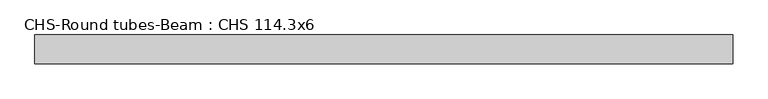
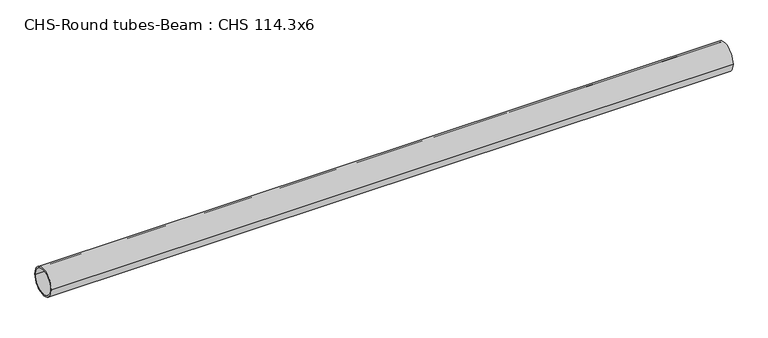
"""IFC4 building model written with IfcOpenShell, lengths in millimetres: beam geometry, CHS-Round tubes-Beam : CHS 114.3x6."""

import ifcopenshell
import ifcopenshell.guid

model = None  # the IFC model being written
_history = None  # IfcOwnerHistory: only IFC2X3 demands one
_inside = {}  # id of a spatial element -> (the spatial element, [elements in it])
_under = {}  # id of a project, library or spatial element -> (it, [spatial elements below it])
_declared = {}  # id of a project -> (the project, [libraries it declares])
_typed = {}  # id of a type object -> (the type object, [elements of that type])
_made_of = {}  # id of a material, layer set ... -> (it, [elements and type objects made of it])


def new_model(schema):
    """Start an empty IFC model of exactly this schema.

    Asked for "IFC4X3", IfcOpenShell would pick the latest addendum, in which some entities
    have other attributes; the version numbers below select the first issue.
    IFC2X3 requires an IfcOwnerHistory on every rooted entity: one is made here for all.
    """
    global model, _history
    if schema == "IFC4X3":
        model = ifcopenshell.file(schema_version=(4, 3, 0, 0))
    else:
        model = ifcopenshell.file(schema=schema)
    _inside.clear()
    _under.clear()
    _declared.clear()
    _typed.clear()
    _made_of.clear()
    _history = None
    if model.schema == "IFC2X3":
        org = make("IfcOrganization", Name="unknown")
        user = make(
            "IfcPersonAndOrganization",
            ThePerson=make("IfcPerson", FamilyName="unknown"),
            TheOrganization=org,
        )
        app = make(
            "IfcApplication",
            ApplicationDeveloper=org,
            Version="unknown",
            ApplicationFullName="unknown",
            ApplicationIdentifier="unknown",
        )
        _history = make(
            "IfcOwnerHistory",
            OwningUser=user,
            OwningApplication=app,
            ChangeAction="ADDED",
            CreationDate=0,
        )
    return model


def make(cls, **values):
    """One entity of the class cls with the attributes given. An attribute that is None is left unset."""
    return model.create_entity(
        cls, **{name: value for name, value in values.items() if value is not None}
    )


def rooted(cls, **values):
    """An entity with a GlobalId (a new one), such as an element, a storey or a relation."""
    return make(cls, GlobalId=ifcopenshell.guid.new(), OwnerHistory=_history, **values)


def si_unit(unit_type, name, prefix=None):
    """IfcSIUnit, for example si_unit("LENGTHUNIT", "METRE", prefix="MILLI")."""
    return make("IfcSIUnit", UnitType=unit_type, Prefix=prefix, Name=name)


def assignment(units):
    """IfcUnitAssignment: the units of a project."""
    return None if units is None else make("IfcUnitAssignment", Units=units)


def point(xyz):
    """IfcCartesianPoint."""
    return None if xyz is None else make("IfcCartesianPoint", Coordinates=xyz)


def direction(xyz):
    """IfcDirection."""
    return None if xyz is None else make("IfcDirection", DirectionRatios=xyz)


def frame(location, z_axis=None, x_axis=None):
    """IfcAxis2Placement3D, a coordinate frame: its origin and axes. An axis left out is left unset."""
    return make(
        "IfcAxis2Placement3D",
        Location=point(location),
        Axis=direction(z_axis),
        RefDirection=direction(x_axis),
    )


def frame_2d(location, x_axis=None):
    """IfcAxis2Placement2D, a coordinate frame in the plane: its origin and x axis."""
    return make(
        "IfcAxis2Placement2D", Location=point(location), RefDirection=direction(x_axis)
    )


def origin():
    """The frame at (0, 0, 0) with its axes left unset."""
    return frame((0.0, 0.0, 0.0))


def origin_2d():
    """The frame at (0, 0) in the plane with its x axis left unset."""
    return frame_2d((0.0, 0.0))


def place(relative_to, where):
    """IfcLocalPlacement: puts the frame where relative to a parent placement (None: the world)."""
    return make(
        "IfcLocalPlacement", PlacementRelTo=relative_to, RelativePlacement=where
    )


def context(
    kind, dimensions, precision=None, world=None, true_north=None, identifier=None
):
    """IfcGeometricRepresentationContext, for example the 3D "Model" context."""
    return make(
        "IfcGeometricRepresentationContext",
        ContextIdentifier=identifier,
        ContextType=kind,
        CoordinateSpaceDimension=dimensions,
        Precision=precision,
        WorldCoordinateSystem=world,
        TrueNorth=true_north,
    )


def project(units=None, contexts=None):
    """IfcProject with its units and contexts."""
    return rooted(
        "IfcProject",
        Name="project",
        RepresentationContexts=contexts,
        UnitsInContext=assignment(units),
    )


def spatial(cls, under=None, at=None, **own):
    """A site, building, storey or space (cls), placed at a placement, below another one or the project."""
    s = rooted(cls, ObjectPlacement=at, **own)
    if under is not None:
        _under.setdefault(under.id(), (under, []))[1].append(s)
    return s


def circle_curve(where, radius):
    """IfcCircle in the frame where."""
    return make("IfcCircle", Position=where, Radius=radius)


def trimmed(basis, trim1, trim2, sense, master):
    """IfcTrimmedCurve: the piece of a basis curve between two trims."""
    return make(
        "IfcTrimmedCurve",
        BasisCurve=basis,
        Trim1=trim1,
        Trim2=trim2,
        SenseAgreement=sense,
        MasterRepresentation=master,
    )


def segment(curve, same_sense, transition):
    """IfcCompositeCurveSegment."""
    return make(
        "IfcCompositeCurveSegment",
        Transition=transition,
        SameSense=same_sense,
        ParentCurve=curve,
    )


def composite_curve(segments, self_intersect=None):
    """IfcCompositeCurve: segments joined end to end."""
    return make("IfcCompositeCurve", Segments=segments, SelfIntersect=self_intersect)


def outline(outer, holes=None, kind="AREA"):
    """IfcArbitraryClosedProfileDef: a profile drawn as a closed curve; with holes, ...WithVoids."""
    if holes is None:
        return make("IfcArbitraryClosedProfileDef", ProfileType=kind, OuterCurve=outer)
    return make(
        "IfcArbitraryProfileDefWithVoids",
        ProfileType=kind,
        OuterCurve=outer,
        InnerCurves=holes,
    )


def extrude(swept, where, along, depth):
    """IfcExtrudedAreaSolid: the profile swept, set in the frame where, extruded along a direction by depth."""
    return make(
        "IfcExtrudedAreaSolid",
        SweptArea=swept,
        Position=where,
        ExtrudedDirection=direction(along),
        Depth=depth,
    )


def shape(context_of_items, identifier, shape_type, items):
    """IfcShapeRepresentation: the items that make up one representation, for example the "Body"."""
    return make(
        "IfcShapeRepresentation",
        ContextOfItems=context_of_items,
        RepresentationIdentifier=identifier,
        RepresentationType=shape_type,
        Items=items,
    )


def source(mapping_origin, context_of_items, identifier, shape_type, items):
    """IfcRepresentationMap: a shape defined once, which mapped items show again and again."""
    return make(
        "IfcRepresentationMap",
        MappingOrigin=mapping_origin,
        MappedRepresentation=shape(context_of_items, identifier, shape_type, items),
    )


def transform(
    local_origin,
    x_axis=None,
    y_axis=None,
    z_axis=None,
    scale=None,
    scale2=None,
    scale3=None,
    uniform=True,
):
    """IfcCartesianTransformationOperator3D, or its non-uniform kind. x_axis, y_axis, z_axis: its Axis1, 2, 3."""
    if uniform:
        return make(
            "IfcCartesianTransformationOperator3D",
            Axis1=direction(x_axis),
            Axis2=direction(y_axis),
            LocalOrigin=point(local_origin),
            Scale=scale,
            Axis3=direction(z_axis),
        )
    return make(
        "IfcCartesianTransformationOperator3DnonUniform",
        Axis1=direction(x_axis),
        Axis2=direction(y_axis),
        LocalOrigin=point(local_origin),
        Scale=scale,
        Axis3=direction(z_axis),
        Scale2=scale2,
        Scale3=scale3,
    )


def mapped(mapping_source, mapping_target):
    """IfcMappedItem: shows the shape of a source again, moved by a transform."""
    return make(
        "IfcMappedItem", MappingSource=mapping_source, MappingTarget=mapping_target
    )


def made_of(thing, what):
    """Note that an element or type object is made of a material, layer set ...; save() writes the relation."""
    if what is not None:
        _made_of.setdefault(what.id(), (what, []))[1].append(thing)
    return thing


def element(
    cls,
    number,
    at=None,
    inside=None,
    cuts=None,
    type_object=None,
    material=None,
    context=None,
    identifier="Body",
    shape_type=None,
    held_by="IfcProductDefinitionShape",
    body=None,
    shapes=None,
    **own,
):
    """One element of the class cls, such as IfcWall. Its Tag is "e" and its number.

    at: its placement. inside: the storey or other place that contains it. cuts: it is an
    opening in that element (IfcRelVoidsElement). A single representation is given by context,
    identifier, shape_type and body (its items); several are given by shapes. held_by: the class
    of the entity that holds the representations. save() writes the other relations.
    """
    e = rooted(cls, Tag="e%d" % number, ObjectPlacement=at, **own)
    if body is not None:
        shapes = [shape(context, identifier, shape_type, body)]
    if shapes is not None:
        e.Representation = make(held_by, Representations=shapes)
    if inside is not None:
        _inside.setdefault(inside.id(), (inside, []))[1].append(e)
    if cuts is not None:
        rooted(
            "IfcRelVoidsElement", RelatingBuildingElement=cuts, RelatedOpeningElement=e
        )
    if type_object is not None:
        _typed.setdefault(type_object.id(), (type_object, []))[1].append(e)
    return made_of(e, material)


def aggregate(whole, parts):
    """IfcRelAggregates: a whole, such as a stair, and the parts it consists of."""
    return rooted("IfcRelAggregates", RelatingObject=whole, RelatedObjects=parts)


def save(model, path):
    """Write the relations noted so far, then the file.

    IfcRelAggregates (storeys below a building ...), IfcRelContainedInSpatialStructure (elements
    in a storey), IfcRelDefinesByType, IfcRelAssociatesMaterial and IfcRelDeclares: one each for
    every whole, place, type object, material and project.
    """
    for whole, parts in _under.values():
        aggregate(whole, parts)
    for where, things in _inside.values():
        rooted(
            "IfcRelContainedInSpatialStructure",
            RelatedElements=things,
            RelatingStructure=where,
        )
    for kind, things in _typed.values():
        rooted("IfcRelDefinesByType", RelatedObjects=things, RelatingType=kind)
    for what, things in _made_of.values():
        rooted("IfcRelAssociatesMaterial", RelatedObjects=things, RelatingMaterial=what)
    for by, libraries in _declared.values():
        rooted("IfcRelDeclares", RelatingContext=by, RelatedDefinitions=libraries)
    model.write(path)


def chs_round_tubes_beam_chs_114_3x6_13f1a7e0(model_context):
    return source(origin(), model_context, "Body", "SweptSolid", [
        extrude(outline(composite_curve([segment(trimmed(circle_curve(origin_2d(), 57.15), [point((57.15, 0.0))], [point((-57.15, 0.0))], False, "CARTESIAN"), True, "CONTINUOUS"), segment(trimmed(circle_curve(origin_2d(), 57.15), [point((-57.15, 0.0))], [point((57.15, 0.0))], False, "CARTESIAN"), True, "CONTINUOUS")], self_intersect=False), holes=[composite_curve([segment(trimmed(circle_curve(origin_2d(), 51.15), [point((51.15, 0.0))], [point((-51.15, 0.0))], True, "CARTESIAN"), True, "CONTINUOUS"), segment(trimmed(circle_curve(origin_2d(), 51.15), [point((-51.15, 0.0))], [point((51.15, 0.0))], True, "CARTESIAN"), True, "CONTINUOUS")], self_intersect=False)]), frame((-1343.7080931, 0.0, 0.0), z_axis=(1.0, 0.0, 0.0), x_axis=(0.0, 1.0, 0.0)), (0.0, 0.0, 1.0), 2775.0355218),
    ])


if __name__ == "__main__":
    model = new_model("IFC4")
    model_context = context("Model", 3, world=origin())
    ifc_project = project(units=[si_unit("LENGTHUNIT", "METRE", prefix="MILLI")], contexts=[model_context])
    site = spatial("IfcSite", under=ifc_project)
    building = spatial("IfcBuilding", under=site)
    placement = place(None, origin())
    chs_round_tubes_beam_chs_114_3x6_shape = chs_round_tubes_beam_chs_114_3x6_13f1a7e0(model_context)
    element("IfcBeam", 1, ObjectType="CHS-Round tubes-Beam : CHS 114.3x6", at=placement, inside=building, context=model_context, shape_type="MappedRepresentation", body=[
        mapped(chs_round_tubes_beam_chs_114_3x6_shape, transform((0.0, 0.0, 0.0), x_axis=(1.0, 0.0, 0.0), y_axis=(0.0, 1.0, 0.0), z_axis=(0.0, 0.0, 1.0))),
    ])
    save(model, "model.ifc")
